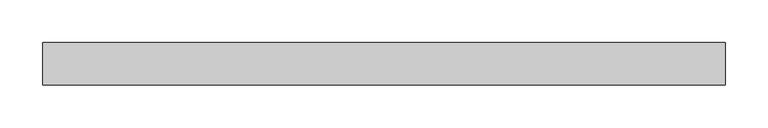
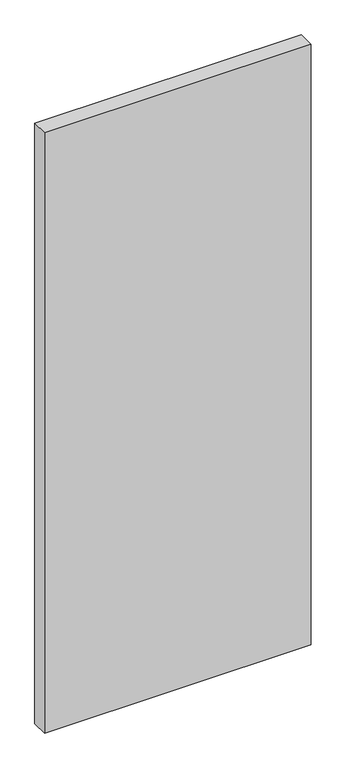
"""IFC4 building model written with IfcOpenShell, lengths in millimetres: plate geometry."""

from ifc_helpers import new_model, si_unit, origin, origin_with_axes, place, context, project, spatial, polyline, outline, extrude, source, transform, mapped, element, save


def plate_111b1b22(model_context):
    return source(origin(), model_context, "Body", "SweptSolid", [
        extrude(outline(polyline([(399.4474027, -25.0), (-399.4474027, -25.0), (-399.4474027, 25.0), (399.4474027, 25.0), (399.4474027, -25.0)])), origin_with_axes(), (0.0, 0.0, 1.0), 1900.0),
    ])


if __name__ == "__main__":
    model = new_model("IFC4")
    model_context = context("Model", 3, world=origin())
    ifc_project = project(units=[si_unit("LENGTHUNIT", "METRE", prefix="MILLI")], contexts=[model_context])
    site = spatial("IfcSite", under=ifc_project)
    building = spatial("IfcBuilding", under=site)
    placement = place(None, origin())
    plate_shape = plate_111b1b22(model_context)
    element("IfcPlate", 1, at=placement, inside=building, context=model_context, shape_type="MappedRepresentation", body=[
        mapped(plate_shape, transform((0.0, 0.0, 0.0), x_axis=(1.0, 0.0, 0.0), y_axis=(0.0, 1.0, 0.0), z_axis=(0.0, 0.0, 1.0))),
    ])
    save(model, "model.ifc")
